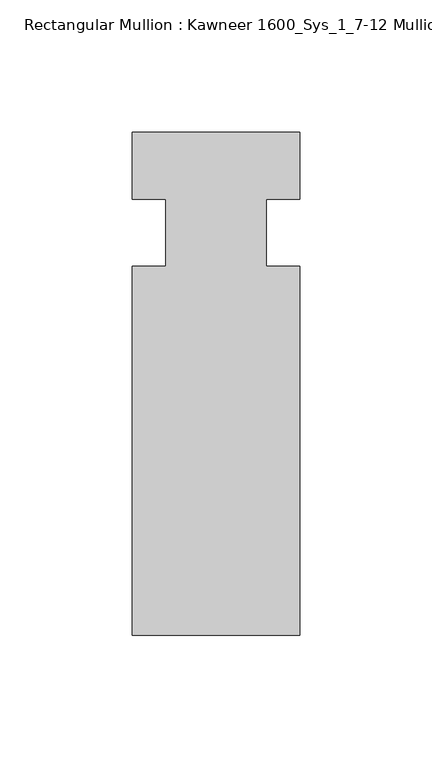
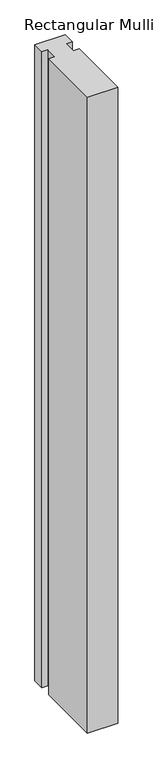
"""IFC4 building model written with IfcOpenShell, lengths in millimetres: member geometry, Rectangular Mullion : Kawneer 1600_Sys_1_7-12 Mullion_Horizontal."""

from ifc_helpers import new_model, si_unit, frame, origin, place, context, project, spatial, polyline, outline, extrude, source, transform, mapped, element, save


def rectangular_mullion_kawneer_1600_sys_1_7_12_mullion_3217ed8a(model_context):
    return source(origin(), model_context, "Body", "SweptSolid", [
        extrude(outline(polyline([(31.75, -152.4), (-31.75, -152.4), (-31.75, -12.7), (-19.05, -12.7), (-19.05, 12.7), (-31.75, 12.7), (-31.75, 38.1), (31.75, 38.1), (31.75, 12.7), (19.0482296, 12.7), (19.0482296, -12.7), (31.75, -12.7), (31.75, -152.4)])), frame((0.0, 0.0, -1409.7), z_axis=(0.0, 0.0, 1.0), x_axis=(1.0, 0.0, 0.0)), (0.0, 0.0, 1.0), 1409.7),
    ])


if __name__ == "__main__":
    model = new_model("IFC4")
    model_context = context("Model", 3, world=origin())
    ifc_project = project(units=[si_unit("LENGTHUNIT", "METRE", prefix="MILLI")], contexts=[model_context])
    site = spatial("IfcSite", under=ifc_project)
    building = spatial("IfcBuilding", under=site)
    placement = place(None, origin())
    rectangular_mullion_kawneer_1600_sys_1_7_12_mullion_shape = rectangular_mullion_kawneer_1600_sys_1_7_12_mullion_3217ed8a(model_context)
    element("IfcMember", 1, ObjectType="Rectangular Mullion : Kawneer 1600_Sys_1_7-12 Mullion_Horizontal", at=placement, inside=building, context=model_context, shape_type="MappedRepresentation", body=[
        mapped(rectangular_mullion_kawneer_1600_sys_1_7_12_mullion_shape, transform((0.0, 0.0, 0.0), x_axis=(1.0, 0.0, 0.0), y_axis=(0.0, 1.0, 0.0), z_axis=(0.0, 0.0, 1.0))),
    ])
    save(model, "model.ifc")
